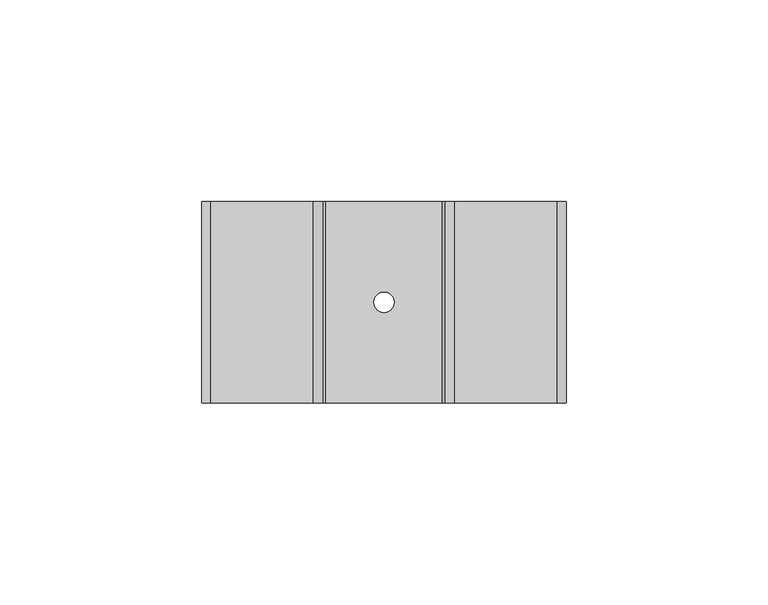
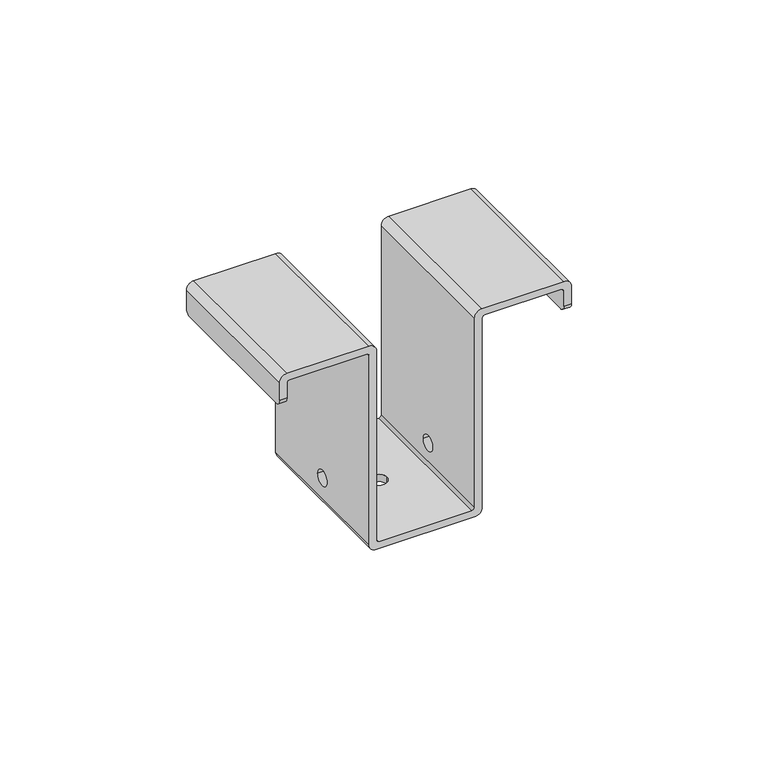
"""IFC4 building model written with IfcOpenShell, lengths in millimetres: proxy geometry."""

from ifc_helpers import new_model, si_unit, frame, origin, place, context, project, spatial, polyline, circle_curve, source, transform, mapped, element, save
from ifc_brep_helpers import plane_surface, cylinder_surface, revolved_surface, advanced_brep


def mechanical_equipment_c449d821(model_context):
    return source(origin(), model_context, "Body", "AdvancedBrep", [
        advanced_brep(
        [(-42.9, -50.0, -3.1), (-42.1, -50.0, -2.3), (-18.3, -50.0, -2.3), (-17.5, -50.0, -3.1), (-17.5, -50.0, -65.0), (-15.2, -50.0, -67.3), (15.2, -50.0, -67.3), (17.5, -50.0, -65.0), (17.5, -50.0, -3.1), (18.3, -50.0, -2.3), (42.1, -50.0, -2.3), (42.9, -50.0, -3.1), (42.9, -50.0, -8.0), (45.2, -50.0, -8.0), (45.2, -50.0, -2.3), (42.9, -50.0, 0.0), (17.5, -50.0, 0.0), (15.2, -50.0, -2.3), (15.2, -50.0, -64.2), (14.4, -50.0, -65.0), (-14.4, -50.0, -65.0), (-15.2, -50.0, -64.2), (-15.2, -50.0, -2.3), (-17.5, -50.0, 0.0), (-42.9, -50.0, 0.0), (-45.2, -50.0, -2.3), (-45.2, -50.0, -8.0), (-42.9, -50.0, -8.0), (-45.2, 0.0, -2.3), (-42.9, 0.0, 0.0), (-17.5, 0.0, 0.0), (-15.2, 0.0, -2.3), (-15.2, 0.0, -64.2), (-14.4, 0.0, -65.0), (14.4, 0.0, -65.0), (15.2, 0.0, -64.2), (15.2, 0.0, -2.3), (17.5, 0.0, 0.0), (42.9, 0.0, 0.0), (45.2, 0.0, -2.3), (45.2, 0.0, -8.0), (42.9, 0.0, -8.0), (42.9, 0.0, -3.1), (42.1, 0.0, -2.3), (18.3, 0.0, -2.3), (17.5, 0.0, -3.1), (17.5, 0.0, -65.0), (15.2, 0.0, -67.3), (-15.2, 0.0, -67.3), (-17.5, 0.0, -65.0), (-17.5, 0.0, -3.1), (-18.3, 0.0, -2.3), (-42.1, 0.0, -2.3), (-42.9, 0.0, -3.1), (-42.9, 0.0, -8.0), (-45.2, 0.0, -8.0), (-45.2, -48.0, -10.0), (-45.2, -2.0, -10.0), (-42.9, -2.0, -10.0), (-42.9, -48.0, -10.0), (-17.5, -27.5, -58.3), (-17.5, -22.5, -58.3), (-2.5, -25.0, -67.3), (2.5, -25.0, -67.3), (17.5, -22.5, -58.3), (17.5, -27.5, -58.3), (42.9, -2.0, -10.0), (42.9, -48.0, -10.0), (45.2, -2.0, -10.0), (45.2, -48.0, -10.0), (15.2, -27.5, -58.3), (15.2, -22.5, -58.3), (2.5, -25.0, -65.0), (-2.5, -25.0, -65.0), (-15.2, -22.5, -58.3), (-15.2, -27.5, -58.3)],
        [
            (0, 1, circle_curve(frame((-42.1, -50.0, -3.1), z_axis=(0.0, 1.0, 0.0), x_axis=(1.0, 0.0, 0.0)), 0.8)),
            (1, 2),
            (2, 3, circle_curve(frame((-18.3, -50.0, -3.1), z_axis=(0.0, 1.0, 0.0), x_axis=(1.0, 0.0, 0.0)), 0.8)),
            (3, 4),
            (4, 5, circle_curve(frame((-15.2, -50.0, -65.0), z_axis=(0.0, -1.0, 0.0), x_axis=(1.0, 0.0, 0.0)), 2.3)),
            (5, 6),
            (6, 7, circle_curve(frame((15.2, -50.0, -65.0), z_axis=(0.0, -1.0, 0.0), x_axis=(1.0, 0.0, 0.0)), 2.3)),
            (7, 8),
            (8, 9, circle_curve(frame((18.3, -50.0, -3.1), z_axis=(0.0, 1.0, 0.0), x_axis=(1.0, 0.0, 0.0)), 0.8)),
            (9, 10),
            (10, 11, circle_curve(frame((42.1, -50.0, -3.1), z_axis=(0.0, 1.0, 0.0), x_axis=(1.0, 0.0, 0.0)), 0.8)),
            (11, 12),
            (12, 13),
            (13, 14),
            (14, 15, circle_curve(frame((42.9, -50.0, -2.3), z_axis=(0.0, -1.0, 0.0), x_axis=(1.0, 0.0, 0.0)), 2.3)),
            (15, 16),
            (16, 17, circle_curve(frame((17.5, -50.0, -2.3), z_axis=(0.0, -1.0, 0.0), x_axis=(1.0, 0.0, 0.0)), 2.3)),
            (17, 18),
            (18, 19, circle_curve(frame((14.4, -50.0, -64.2), z_axis=(0.0, 1.0, 0.0), x_axis=(1.0, 0.0, 0.0)), 0.8)),
            (19, 20),
            (20, 21, circle_curve(frame((-14.4, -50.0, -64.2), z_axis=(0.0, 1.0, 0.0), x_axis=(1.0, 0.0, 0.0)), 0.8)),
            (21, 22),
            (22, 23, circle_curve(frame((-17.5, -50.0, -2.3), z_axis=(0.0, -1.0, 0.0), x_axis=(1.0, 0.0, 0.0)), 2.3)),
            (23, 24),
            (24, 25, circle_curve(frame((-42.9, -50.0, -2.3), z_axis=(0.0, -1.0, 0.0), x_axis=(1.0, 0.0, 0.0)), 2.3)),
            (25, 26),
            (26, 27),
            (27, 0),
            (28, 29, circle_curve(frame((-42.9, 0.0, -2.3), z_axis=(0.0, 1.0, 0.0), x_axis=(1.0, 0.0, 0.0)), 2.3)),
            (29, 30),
            (30, 31, circle_curve(frame((-17.5, 0.0, -2.3), z_axis=(0.0, 1.0, 0.0), x_axis=(1.0, 0.0, 0.0)), 2.3)),
            (31, 32),
            (32, 33, circle_curve(frame((-14.4, 0.0, -64.2), z_axis=(0.0, -1.0, 0.0), x_axis=(1.0, 0.0, 0.0)), 0.8)),
            (33, 34),
            (34, 35, circle_curve(frame((14.4, 0.0, -64.2), z_axis=(0.0, -1.0, 0.0), x_axis=(1.0, 0.0, 0.0)), 0.8)),
            (35, 36),
            (36, 37, circle_curve(frame((17.5, 0.0, -2.3), z_axis=(0.0, 1.0, 0.0), x_axis=(1.0, 0.0, 0.0)), 2.3)),
            (37, 38),
            (38, 39, circle_curve(frame((42.9, 0.0, -2.3), z_axis=(0.0, 1.0, 0.0), x_axis=(1.0, 0.0, 0.0)), 2.3)),
            (39, 40),
            (40, 41),
            (41, 42),
            (42, 43, circle_curve(frame((42.1, 0.0, -3.1), z_axis=(0.0, -1.0, 0.0), x_axis=(1.0, 0.0, 0.0)), 0.8)),
            (43, 44),
            (44, 45, circle_curve(frame((18.3, 0.0, -3.1), z_axis=(0.0, -1.0, 0.0), x_axis=(1.0, 0.0, 0.0)), 0.8)),
            (45, 46),
            (46, 47, circle_curve(frame((15.2, 0.0, -65.0), z_axis=(0.0, 1.0, 0.0), x_axis=(1.0, 0.0, 0.0)), 2.3)),
            (47, 48),
            (48, 49, circle_curve(frame((-15.2, 0.0, -65.0), z_axis=(0.0, 1.0, 0.0), x_axis=(1.0, 0.0, 0.0)), 2.3)),
            (49, 50),
            (50, 51, circle_curve(frame((-18.3, 0.0, -3.1), z_axis=(0.0, -1.0, 0.0), x_axis=(1.0, 0.0, 0.0)), 0.8)),
            (51, 52),
            (52, 53, circle_curve(frame((-42.1, 0.0, -3.1), z_axis=(0.0, -1.0, 0.0), x_axis=(1.0, 0.0, 0.0)), 0.8)),
            (53, 54),
            (54, 55),
            (55, 28),
            (56, 57),
            (57, 58),
            (58, 59),
            (59, 56),
            (53, 0),
            (27, 59, circle_curve(frame((-42.9, -48.0, -8.0), z_axis=(1.0, 0.0, 0.0), x_axis=(0.0, 1.0, 0.0)), 2.0)),
            (58, 54, circle_curve(frame((-42.9, -2.0, -8.0), z_axis=(1.0, 0.0, 0.0), x_axis=(0.0, 1.0, 0.0)), 2.0)),
            (52, 1),
            (51, 2),
            (50, 3),
            (49, 4),
            (60, 61, circle_curve(frame((-17.5, -25.0, -58.3), z_axis=(1.0, 0.0, 0.0), x_axis=(0.0, 1.0, 0.0)), 2.5)),
            (61, 60, circle_curve(frame((-17.5, -25.0, -58.3), z_axis=(1.0, 0.0, 0.0), x_axis=(0.0, 1.0, 0.0)), 2.5)),
            (48, 5),
            (47, 6),
            (62, 63, circle_curve(frame((0.0, -25.0, -67.3), z_axis=(0.0, 0.0, 1.0), x_axis=(1.0, 0.0, 0.0)), 2.5)),
            (63, 62, circle_curve(frame((0.0, -25.0, -67.3), z_axis=(0.0, 0.0, 1.0), x_axis=(1.0, 0.0, 0.0)), 2.5)),
            (46, 7),
            (45, 8),
            (64, 65, circle_curve(frame((17.5, -25.0, -58.3), z_axis=(-1.0, 0.0, 0.0), x_axis=(0.0, 1.0, 0.0)), 2.5)),
            (65, 64, circle_curve(frame((17.5, -25.0, -58.3), z_axis=(-1.0, 0.0, 0.0), x_axis=(0.0, 1.0, 0.0)), 2.5)),
            (44, 9),
            (43, 10),
            (42, 11),
            (41, 66, circle_curve(frame((42.9, -2.0, -8.0), z_axis=(-1.0, 0.0, 0.0), x_axis=(0.0, 1.0, 0.0)), 2.0)),
            (66, 67),
            (67, 12, circle_curve(frame((42.9, -48.0, -8.0), z_axis=(-1.0, 0.0, 0.0), x_axis=(0.0, 1.0, 0.0)), 2.0)),
            (66, 68),
            (68, 69),
            (69, 67),
            (39, 14),
            (13, 69, circle_curve(frame((45.2, -48.0, -8.0), z_axis=(1.0, 0.0, 0.0), x_axis=(0.0, 1.0, 0.0)), 2.0)),
            (68, 40, circle_curve(frame((45.2, -2.0, -8.0), z_axis=(1.0, 0.0, 0.0), x_axis=(0.0, 1.0, 0.0)), 2.0)),
            (38, 15),
            (37, 16),
            (36, 17),
            (35, 18),
            (70, 71, circle_curve(frame((15.2, -25.0, -58.3), z_axis=(1.0, 0.0, 0.0), x_axis=(0.0, 1.0, 0.0)), 2.5)),
            (71, 70, circle_curve(frame((15.2, -25.0, -58.3), z_axis=(1.0, 0.0, 0.0), x_axis=(0.0, 1.0, 0.0)), 2.5)),
            (34, 19),
            (33, 20),
            (72, 73, circle_curve(frame((0.0, -25.0, -65.0), z_axis=(0.0, 0.0, -1.0), x_axis=(1.0, 0.0, 0.0)), 2.5)),
            (73, 72, circle_curve(frame((0.0, -25.0, -65.0), z_axis=(0.0, 0.0, -1.0), x_axis=(1.0, 0.0, 0.0)), 2.5)),
            (32, 21),
            (31, 22),
            (74, 75, circle_curve(frame((-15.2, -25.0, -58.3), z_axis=(-1.0, 0.0, 0.0), x_axis=(0.0, 1.0, 0.0)), 2.5)),
            (75, 74, circle_curve(frame((-15.2, -25.0, -58.3), z_axis=(-1.0, 0.0, 0.0), x_axis=(0.0, 1.0, 0.0)), 2.5)),
            (30, 23),
            (29, 24),
            (28, 25),
            (55, 57, circle_curve(frame((-45.2, -2.0, -8.0), z_axis=(-1.0, 0.0, 0.0), x_axis=(0.0, 1.0, 0.0)), 2.0)),
            (56, 26, circle_curve(frame((-45.2, -48.0, -8.0), z_axis=(-1.0, 0.0, 0.0), x_axis=(0.0, 1.0, 0.0)), 2.0)),
            (64, 71),
            (70, 65),
            (72, 63),
            (62, 73),
            (60, 75),
            (74, 61),
        ],
        [
            plane_surface(frame((-45.2, -50.0, -10.0), z_axis=(0.0, -1.0, 0.0), x_axis=(1.0, 0.0, 0.0))),
            plane_surface(frame((-45.2, 0.0, -10.0), z_axis=(0.0, 1.0, 0.0), x_axis=(-1.0, 0.0, 0.0))),
            plane_surface(frame((-45.2, -50.0, -10.0), z_axis=(0.0, 0.0, -1.0), x_axis=(0.0, 1.0, 0.0))),
            plane_surface(frame((-42.9, -50.0, -10.0), z_axis=(1.0, 0.0, 0.0), x_axis=(0.0, 1.0, 0.0))),
            revolved_surface(polyline([(-41.300000000000004, 0.0, -3.1), (-41.300000000000004, -50.0, -3.1)]), (-42.1, 0.0, -3.1), (0.0, 1.0, 0.0)),
            plane_surface(frame((-42.1, -50.0, -2.3), z_axis=(0.0, 0.0, -1.0), x_axis=(0.0, 1.0, 0.0))),
            revolved_surface(polyline([(-17.5, 0.0, -3.1), (-17.5, -50.0, -3.1)]), (-18.3, 0.0, -3.1), (0.0, 1.0, 0.0)),
            plane_surface(frame((-17.5, -50.0, -3.1), z_axis=(-1.0, 0.0, 0.0), x_axis=(0.0, 1.0, 0.0))),
            cylinder_surface(frame((-15.2, 0.0, -65.0), z_axis=(0.0, -1.0, 0.0), x_axis=(1.0, 0.0, 0.0)), 2.3),
            plane_surface(frame((-15.2, -50.0, -67.3), z_axis=(0.0, 0.0, -1.0), x_axis=(0.0, 1.0, 0.0))),
            cylinder_surface(frame((15.2, 0.0, -65.0), z_axis=(0.0, -1.0, 0.0), x_axis=(1.0, 0.0, 0.0)), 2.3),
            plane_surface(frame((17.5, -50.0, -65.0), z_axis=(1.0, 0.0, 0.0), x_axis=(0.0, 1.0, 0.0))),
            revolved_surface(polyline([(19.1, 0.0, -3.1), (19.1, -50.0, -3.1)]), (18.3, 0.0, -3.1), (0.0, 1.0, 0.0)),
            plane_surface(frame((18.3, -50.0, -2.3), z_axis=(0.0, 0.0, -1.0), x_axis=(0.0, 1.0, 0.0))),
            revolved_surface(polyline([(42.9, 0.0, -3.1), (42.9, -50.0, -3.1)]), (42.1, 0.0, -3.1), (0.0, 1.0, 0.0)),
            plane_surface(frame((42.9, -50.0, -3.1), z_axis=(-1.0, 0.0, 0.0), x_axis=(0.0, 1.0, 0.0))),
            plane_surface(frame((42.9, -50.0, -10.0), z_axis=(0.0, 0.0, -1.0), x_axis=(0.0, 1.0, 0.0))),
            plane_surface(frame((45.2, -50.0, -10.0), z_axis=(1.0, 0.0, 0.0), x_axis=(0.0, 1.0, 0.0))),
            cylinder_surface(frame((42.9, 0.0, -2.3), z_axis=(0.0, -1.0, 0.0), x_axis=(1.0, 0.0, 0.0)), 2.3),
            plane_surface(frame((42.9, -50.0, 0.0), z_axis=(0.0, 0.0, 1.0), x_axis=(0.0, 1.0, 0.0))),
            cylinder_surface(frame((17.5, 0.0, -2.3), z_axis=(0.0, -1.0, 0.0), x_axis=(1.0, 0.0, 0.0)), 2.3),
            plane_surface(frame((15.2, -50.0, -2.3), z_axis=(-1.0, 0.0, 0.0), x_axis=(0.0, 1.0, 0.0))),
            revolved_surface(polyline([(15.200000000000001, 0.0, -64.2), (15.200000000000001, -50.0, -64.2)]), (14.4, 0.0, -64.2), (0.0, 1.0, 0.0)),
            plane_surface(frame((14.4, -50.0, -65.0), z_axis=(0.0, 0.0, 1.0), x_axis=(0.0, 1.0, 0.0))),
            revolved_surface(polyline([(-13.6, 0.0, -64.2), (-13.6, -50.0, -64.2)]), (-14.4, 0.0, -64.2), (0.0, 1.0, 0.0)),
            plane_surface(frame((-15.2, -50.0, -64.2), z_axis=(1.0, 0.0, 0.0), x_axis=(0.0, 1.0, 0.0))),
            cylinder_surface(frame((-17.5, 0.0, -2.3), z_axis=(0.0, -1.0, 0.0), x_axis=(1.0, 0.0, 0.0)), 2.3),
            plane_surface(frame((-17.5, -50.0, 0.0), z_axis=(0.0, 0.0, 1.0), x_axis=(0.0, 1.0, 0.0))),
            cylinder_surface(frame((-42.9, 0.0, -2.3), z_axis=(0.0, -1.0, 0.0), x_axis=(1.0, 0.0, 0.0)), 2.3),
            plane_surface(frame((-45.2, -50.0, -2.3), z_axis=(-1.0, 0.0, 0.0), x_axis=(0.0, 1.0, 0.0))),
            revolved_surface(polyline([(17.5, -22.5, -58.3), (15.2, -22.5, -58.3)]), (15.2, -25.0, -58.3), (1.0, 0.0, 0.0)),
            revolved_surface(polyline([(2.5, -25.0, -65.0), (2.5, -25.0, -67.3)]), (0.0, -25.0, -67.3), (0.0, 0.0, 1.0)),
            cylinder_surface(frame((45.2, -48.0, -8.0), z_axis=(1.0, 0.0, 0.0), x_axis=(0.0, 1.0, 0.0)), 2.0),
            cylinder_surface(frame((0.0, -2.0, -8.0), z_axis=(1.0, 0.0, 0.0), x_axis=(0.0, 1.0, 0.0)), 2.0),
            cylinder_surface(frame((-45.2, -48.0, -8.0), z_axis=(-1.0, 0.0, 0.0), x_axis=(0.0, 1.0, 0.0)), 2.0),
            cylinder_surface(frame((0.0, -2.0, -8.0), z_axis=(-1.0, 0.0, 0.0), x_axis=(0.0, 1.0, 0.0)), 2.0),
            revolved_surface(polyline([(-17.5, -22.5, -58.3), (-15.2, -22.5, -58.3)]), (-15.2, -25.0, -58.3), (-1.0, 0.0, 0.0)),
        ],
        [
            (0, [[1, 2, 3, 4, 5, 6, 7, 8, 9, 10, 11, 12, 13, 14, 15, 16, 17, 18, 19, 20, 21, 22, 23, 24, 25, 26, 27, 28]]),
            (1, [[29, 30, 31, 32, 33, 34, 35, 36, 37, 38, 39, 40, 41, 42, 43, 44, 45, 46, 47, 48, 49, 50, 51, 52, 53, 54, 55, 56]]),
            (2, [[57, 58, 59, 60]]),
            (3, [[61, -28, 62, -59, 63, -54]]),
            (4, [[-1, -61, -53, 64]]),
            (5, [[-2, -64, -52, 65]]),
            (6, [[-3, -65, -51, 66]]),
            (7, [[-4, -66, -50, 67], [68, 69]]),
            (8, [[-5, -67, -49, 70]]),
            (9, [[-6, -70, -48, 71], [72, 73]]),
            (10, [[-7, -71, -47, 74]]),
            (11, [[-8, -74, -46, 75], [76, 77]]),
            (12, [[-9, -75, -45, 78]]),
            (13, [[-10, -78, -44, 79]]),
            (14, [[-11, -79, -43, 80]]),
            (15, [[-80, -42, 81, 82, 83, -12]]),
            (16, [[-82, 84, 85, 86]]),
            (17, [[87, -14, 88, -85, 89, -40]]),
            (18, [[-15, -87, -39, 90]]),
            (19, [[-16, -90, -38, 91]]),
            (20, [[-17, -91, -37, 92]]),
            (21, [[-18, -92, -36, 93], [94, 95]]),
            (22, [[-19, -93, -35, 96]]),
            (23, [[-20, -96, -34, 97], [98, 99]]),
            (24, [[-21, -97, -33, 100]]),
            (25, [[-22, -100, -32, 101], [102, 103]]),
            (26, [[-23, -101, -31, 104]]),
            (27, [[-24, -104, -30, 105]]),
            (28, [[-25, -105, -29, 106]]),
            (29, [[-106, -56, 107, -57, 108, -26]]),
            (30, [[109, -94, 110, -76]]),
            (30, [[-109, -77, -110, -95]]),
            (31, [[111, -72, 112, -98]]),
            (31, [[-111, -99, -112, -73]]),
            (32, [[-13, -83, -86, -88]]),
            (33, [[-41, -89, -84, -81]]),
            (34, [[-27, -108, -60, -62]]),
            (35, [[-55, -63, -58, -107]]),
            (36, [[113, -102, 114, -68]]),
            (36, [[-113, -69, -114, -103]]),
        ],
    ),
    ])


if __name__ == "__main__":
    model = new_model("IFC4")
    model_context = context("Model", 3, world=origin())
    ifc_project = project(units=[si_unit("LENGTHUNIT", "METRE", prefix="MILLI")], contexts=[model_context])
    site = spatial("IfcSite", under=ifc_project)
    building = spatial("IfcBuilding", under=site)
    placement = place(None, origin())
    mechanical_equipment_shape = mechanical_equipment_c449d821(model_context)
    element("IfcBuildingElementProxy", 1, Name="Mechanical Equipment", at=placement, inside=building, context=model_context, shape_type="MappedRepresentation", body=[
        mapped(mechanical_equipment_shape, transform((0.0, 0.0, 0.0), x_axis=(1.0, 0.0, 0.0), y_axis=(0.0, 1.0, 0.0), z_axis=(0.0, 0.0, 1.0))),
    ])
    save(model, "model.ifc")
